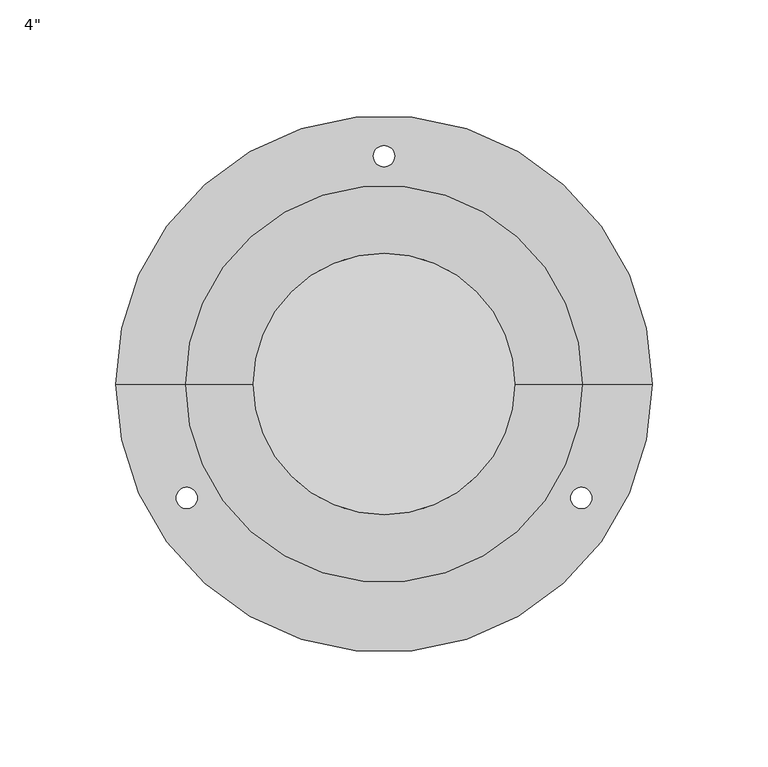
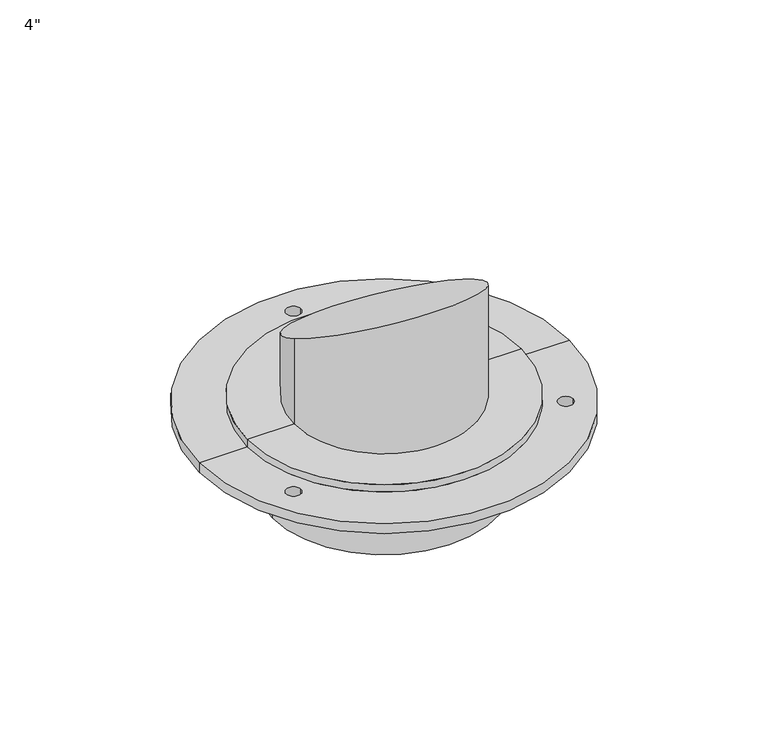
"""IFC4 building model written with IfcOpenShell, lengths in millimetres: flow terminal geometry."""

from ifc_helpers import new_model, si_unit, frame, origin, place, context, project, spatial, polyline, circle_curve, ellipse_curve, source, transform, mapped, element, save
from ifc_brep_helpers import plane_surface, cylinder_surface, revolved_surface, advanced_brep


def flow_terminal_b4c25c97(model_context):
    return source(origin(), model_context, "Body", "AdvancedBrep", [
        advanced_brep(
        [(115.8748, 0.0, 0.0), (-115.8748, 0.0, 0.0), (-115.8748, 0.0, 6.35), (115.8748, 0.0, 6.35), (70.231, 0.0, 0.0), (-70.231, 0.0, 0.0), (-4.572, 98.425, 0.0), (4.572, 98.425, 0.0), (-89.8105504, -49.2125, 0.0), (-80.6665504, -49.2125, 0.0), (80.6665504, -49.2125, 0.0), (89.8105504, -49.2125, 0.0), (70.231, 0.0, -46.0502), (-70.231, 0.0, -46.0502), (0.0, 0.0, -46.0502), (56.388, 0.0, 11.1252), (-56.388, 0.0, 11.1252), (-56.388, 0.0, 67.4878), (0.0, 56.388, 34.9504), (56.388, 0.0, 67.4878), (0.0, -56.388, 100.0252), (85.725, 0.0, 11.1252), (-85.725, 0.0, 11.1252), (85.725, 0.0, 6.35), (-85.725, 0.0, 6.35), (4.572, 98.425, 6.35), (-4.572, 98.425, 6.35), (-80.6665504, -49.2125, 6.35), (-89.8105504, -49.2125, 6.35), (89.8105504, -49.2125, 6.35), (80.6665504, -49.2125, 6.35)],
        [
            (0, 1, circle_curve(frame((0.0, 0.0, 0.0), z_axis=(0.0, 0.0, 1.0), x_axis=(-1.0, 0.0, 0.0)), 115.8748)),
            (1, 2),
            (2, 3, circle_curve(frame((0.0, 0.0, 6.35), z_axis=(0.0, 0.0, -1.0), x_axis=(-1.0, 0.0, 0.0)), 115.8748)),
            (3, 0),
            (1, 0, circle_curve(frame((0.0, 0.0, 0.0), z_axis=(0.0, 0.0, 1.0), x_axis=(-1.0, 0.0, 0.0)), 115.8748)),
            (3, 2, circle_curve(frame((0.0, 0.0, 6.35), z_axis=(0.0, 0.0, -1.0), x_axis=(-1.0, 0.0, 0.0)), 115.8748)),
            (0, 4),
            (4, 5, circle_curve(frame((0.0, 0.0, 0.0), z_axis=(0.0, 0.0, 1.0), x_axis=(-1.0, 0.0, 0.0)), 70.231)),
            (5, 1),
            (6, 7, circle_curve(frame((0.0, 98.425, 0.0), z_axis=(0.0, 0.0, 1.0), x_axis=(1.0, 0.0, 0.0)), 4.572)),
            (7, 6, circle_curve(frame((0.0, 98.425, 0.0), z_axis=(0.0, 0.0, 1.0), x_axis=(1.0, 0.0, 0.0)), 4.572)),
            (5, 4, circle_curve(frame((0.0, 0.0, 0.0), z_axis=(0.0, 0.0, 1.0), x_axis=(-1.0, 0.0, 0.0)), 70.231)),
            (8, 9, circle_curve(frame((-85.2385504, -49.2125, 0.0), z_axis=(0.0, 0.0, 1.0), x_axis=(1.0, 0.0, 0.0)), 4.572)),
            (9, 8, circle_curve(frame((-85.2385504, -49.2125, 0.0), z_axis=(0.0, 0.0, 1.0), x_axis=(1.0, 0.0, 0.0)), 4.572)),
            (10, 11, circle_curve(frame((85.2385504, -49.2125, 0.0), z_axis=(0.0, 0.0, 1.0), x_axis=(1.0, 0.0, 0.0)), 4.572)),
            (11, 10, circle_curve(frame((85.2385504, -49.2125, 0.0), z_axis=(0.0, 0.0, 1.0), x_axis=(1.0, 0.0, 0.0)), 4.572)),
            (4, 12),
            (12, 13, circle_curve(frame((0.0, 0.0, -46.0502), z_axis=(0.0, 0.0, 1.0), x_axis=(-1.0, 0.0, 0.0)), 70.231)),
            (13, 5),
            (13, 12, circle_curve(frame((0.0, 0.0, -46.0502), z_axis=(0.0, 0.0, 1.0), x_axis=(-1.0, 0.0, 0.0)), 70.231)),
            (12, 14),
            (14, 13),
            (15, 16, circle_curve(frame((0.0, 0.0, 11.1252), z_axis=(0.0, 0.0, 1.0), x_axis=(-1.0, 0.0, 0.0)), 56.388)),
            (16, 17),
            (17, 18, ellipse_curve(frame((0.0, 0.0, 67.4878), z_axis=(0.0, -0.4997900039750204, -0.8661466111038298), x_axis=(0.0, 0.8661466111038297, -0.49979000397502044)), 65.1021424, 56.388)),
            (18, 19, ellipse_curve(frame((0.0, 0.0, 67.4878), z_axis=(0.0, -0.4997900039750204, -0.8661466111038298), x_axis=(0.0, 0.8661466111038297, -0.49979000397502044)), 65.1021424, 56.388)),
            (19, 15),
            (16, 15, circle_curve(frame((0.0, 0.0, 11.1252), z_axis=(0.0, 0.0, 1.0), x_axis=(-1.0, 0.0, 0.0)), 56.388)),
            (19, 20, ellipse_curve(frame((0.0, 0.0, 67.4878), z_axis=(0.0, -0.4997900039750204, -0.8661466111038298), x_axis=(0.0, 0.8661466111038297, -0.49979000397502044)), 65.1021424, 56.388)),
            (20, 17, ellipse_curve(frame((0.0, 0.0, 67.4878), z_axis=(0.0, -0.4997900039750204, -0.8661466111038298), x_axis=(0.0, 0.8661466111038297, -0.49979000397502044)), 65.1021424, 56.388)),
            (15, 21),
            (21, 22, circle_curve(frame((0.0, 0.0, 11.1252), z_axis=(0.0, 0.0, 1.0), x_axis=(-1.0, 0.0, 0.0)), 85.725)),
            (22, 16),
            (22, 21, circle_curve(frame((0.0, 0.0, 11.1252), z_axis=(0.0, 0.0, 1.0), x_axis=(-1.0, 0.0, 0.0)), 85.725)),
            (21, 23),
            (23, 24, circle_curve(frame((0.0, 0.0, 6.35), z_axis=(0.0, 0.0, 1.0), x_axis=(-1.0, 0.0, 0.0)), 85.725)),
            (24, 22),
            (24, 23, circle_curve(frame((0.0, 0.0, 6.35), z_axis=(0.0, 0.0, 1.0), x_axis=(-1.0, 0.0, 0.0)), 85.725)),
            (2, 24),
            (23, 3),
            (25, 26, circle_curve(frame((0.0, 98.425, 6.35), z_axis=(0.0, 0.0, -1.0), x_axis=(1.0, 0.0, 0.0)), 4.572)),
            (26, 25, circle_curve(frame((0.0, 98.425, 6.35), z_axis=(0.0, 0.0, -1.0), x_axis=(1.0, 0.0, 0.0)), 4.572)),
            (27, 28, circle_curve(frame((-85.2385504, -49.2125, 6.35), z_axis=(0.0, 0.0, -1.0), x_axis=(1.0, 0.0, 0.0)), 4.572)),
            (28, 27, circle_curve(frame((-85.2385504, -49.2125, 6.35), z_axis=(0.0, 0.0, -1.0), x_axis=(1.0, 0.0, 0.0)), 4.572)),
            (29, 30, circle_curve(frame((85.2385504, -49.2125, 6.35), z_axis=(0.0, 0.0, -1.0), x_axis=(1.0, 0.0, 0.0)), 4.572)),
            (30, 29, circle_curve(frame((85.2385504, -49.2125, 6.35), z_axis=(0.0, 0.0, -1.0), x_axis=(1.0, 0.0, 0.0)), 4.572)),
            (25, 7),
            (6, 26),
            (27, 9),
            (8, 28),
            (29, 11),
            (10, 30),
        ],
        [
            cylinder_surface(frame((0.0, 0.0, 100.0252), z_axis=(0.0, 0.0, -1.0), x_axis=(-1.0, 0.0, 0.0)), 115.8748),
            plane_surface(frame((0.0, 0.0, 0.0), z_axis=(0.0, 0.0, -1.0), x_axis=(-1.0, 0.0, 0.0))),
            cylinder_surface(frame((0.0, 0.0, 100.0252), z_axis=(0.0, 0.0, -1.0), x_axis=(-1.0, 0.0, 0.0)), 70.231),
            plane_surface(frame((0.0, 0.0, -46.0502), z_axis=(0.0, 0.0, -1.0), x_axis=(-1.0, 0.0, 0.0))),
            cylinder_surface(frame((0.0, 0.0, 100.0252), z_axis=(0.0, 0.0, -1.0), x_axis=(-1.0, 0.0, 0.0)), 56.388),
            plane_surface(frame((0.0, 0.0, 11.1252), z_axis=(0.0, 0.0, 1.0), x_axis=(-1.0, 0.0, 0.0))),
            cylinder_surface(frame((0.0, 0.0, 100.0252), z_axis=(0.0, 0.0, -1.0), x_axis=(-1.0, 0.0, 0.0)), 85.725),
            plane_surface(frame((0.0, 0.0, 6.35), z_axis=(0.0, 0.0, 1.0), x_axis=(-1.0, 0.0, 0.0))),
            plane_surface(frame((56.388, -56.388, 100.0252), z_axis=(0.0, 0.4997900039750204, 0.8661466111038298), x_axis=(-1.0, 0.0, 0.0))),
            revolved_surface(polyline([(4.572, 98.425, 6.35), (4.572, 98.425, 0.0)]), (0.0, 98.425, 0.0), (0.0, 0.0, 1.0)),
            revolved_surface(polyline([(-80.66655039999999, -49.2125, 6.35), (-80.66655039999999, -49.2125, 0.0)]), (-85.2385504, -49.2125, 0.0), (0.0, 0.0, 1.0)),
            revolved_surface(polyline([(89.8105504, -49.2125, 6.35), (89.8105504, -49.2125, 0.0)]), (85.2385504, -49.2125, 0.0), (0.0, 0.0, 1.0)),
        ],
        [
            (0, [[1, 2, 3, 4]]),
            (0, [[-2, 5, -4, 6]]),
            (1, [[-1, 7, 8, 9], [10, 11]]),
            (1, [[-5, -9, 12, -7], [13, 14], [15, 16]]),
            (2, [[-8, 17, 18, 19]]),
            (2, [[-12, -19, 20, -17]]),
            (3, [[-18, 21, 22]]),
            (3, [[-20, -22, -21]]),
            (4, [[23, 24, 25, 26, 27]]),
            (4, [[28, -27, 29, 30, -24]]),
            (5, [[-23, 31, 32, 33]]),
            (5, [[-28, -33, 34, -31]]),
            (6, [[-32, 35, 36, 37]]),
            (6, [[-34, -37, 38, -35]]),
            (7, [[-3, 39, -36, 40], [41, 42]]),
            (7, [[-6, -40, -38, -39], [43, 44], [45, 46]]),
            (8, [[-25, -30, -29, -26]]),
            (9, [[47, -10, 48, -41]]),
            (9, [[-47, -42, -48, -11]]),
            (10, [[49, -13, 50, -43]]),
            (10, [[-49, -44, -50, -14]]),
            (11, [[51, -15, 52, -45]]),
            (11, [[-51, -46, -52, -16]]),
        ],
    ),
    ])


if __name__ == "__main__":
    model = new_model("IFC4")
    model_context = context("Model", 3, world=origin())
    ifc_project = project(units=[si_unit("LENGTHUNIT", "METRE", prefix="MILLI")], contexts=[model_context])
    site = spatial("IfcSite", under=ifc_project)
    building = spatial("IfcBuilding", under=site)
    placement = place(None, origin())
    flow_terminal_shape = flow_terminal_b4c25c97(model_context)
    element("IfcFlowTerminal", 1, ObjectType="4\"", at=placement, inside=building, context=model_context, shape_type="MappedRepresentation", body=[
        mapped(flow_terminal_shape, transform((0.0, 0.0, 0.0), x_axis=(1.0, 0.0, 0.0), y_axis=(0.0, 1.0, 0.0), z_axis=(0.0, 0.0, 1.0))),
    ])
    save(model, "model.ifc")
